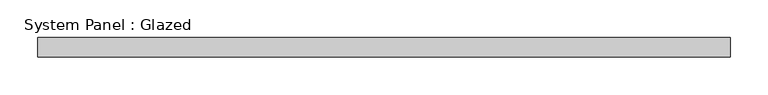
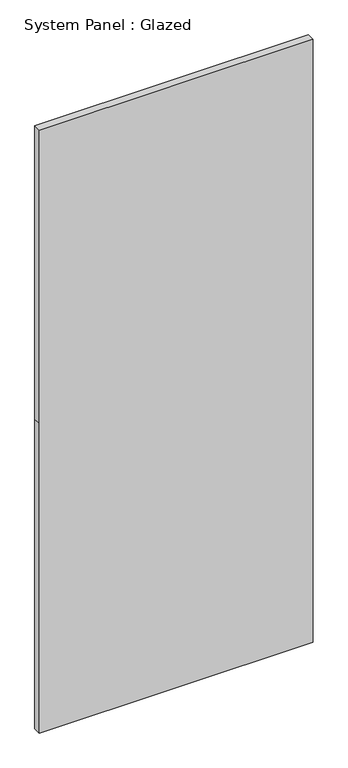
"""IFC4 building model written with IfcOpenShell, lengths in millimetres: plate geometry, System Panel : Glazed."""

from ifc_helpers import new_model, si_unit, frame, origin, place, context, project, spatial, polyline, outline, extrude, source, transform, mapped, element, save


def system_panel_glazed_217ab7f6(model_context):
    return source(origin(), model_context, "Body", "SweptSolid", [
        extrude(outline(polyline([(0.0, -457.2), (0.0, 457.2), (1092.2, 457.2), (2127.25, 457.2), (2127.25, -457.2), (1092.2, -457.2), (0.0, -457.2)])), frame((0.0, 19.05, 0.0), z_axis=(0.0, 1.0, 0.0), x_axis=(0.0, 0.0, 1.0)), (0.0, 0.0, 1.0), 25.4),
    ])


if __name__ == "__main__":
    model = new_model("IFC4")
    model_context = context("Model", 3, world=origin())
    ifc_project = project(units=[si_unit("LENGTHUNIT", "METRE", prefix="MILLI")], contexts=[model_context])
    site = spatial("IfcSite", under=ifc_project)
    building = spatial("IfcBuilding", under=site)
    placement = place(None, origin())
    system_panel_glazed_shape = system_panel_glazed_217ab7f6(model_context)
    element("IfcPlate", 1, ObjectType="System Panel : Glazed", at=placement, inside=building, context=model_context, shape_type="MappedRepresentation", body=[
        mapped(system_panel_glazed_shape, transform((0.0, 0.0, 0.0), x_axis=(1.0, 0.0, 0.0), y_axis=(0.0, 1.0, 0.0), z_axis=(0.0, 0.0, 1.0))),
    ])
    save(model, "model.ifc")
